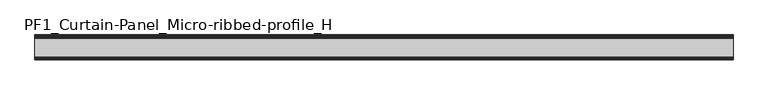
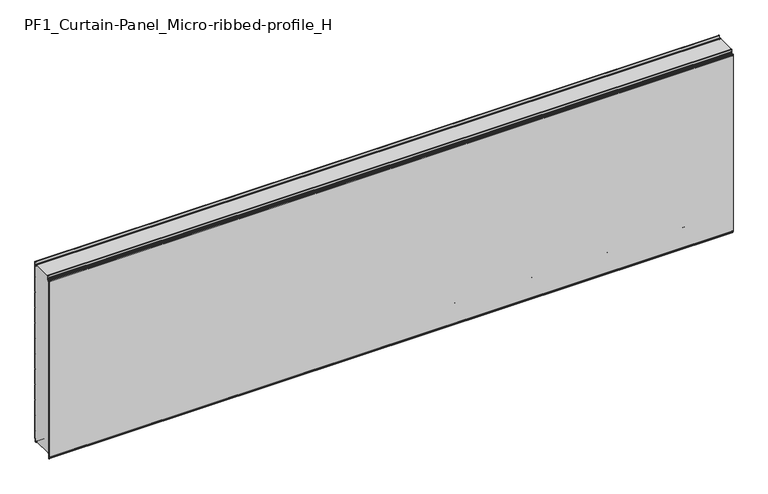
"""IFC4 building model written with IfcOpenShell, lengths in millimetres: plate geometry, PF1_Curtain-Panel_Micro-ribbed-profile_H."""

from ifc_helpers import new_model, si_unit, point, frame, frame_2d, origin, place, context, project, spatial, polyline, circle_curve, trimmed, segment, composite_curve, outline, extrude, source, transform, mapped, element, save


def pf1_curtain_panel_micro_ribbed_profile_h_ba729dbe(model_context):
    return source(origin(), model_context, "Body", "SweptSolid", [
        extrude(outline(composite_curve([segment(polyline([(-140.0, 0.0), (-143.5, 0.0)]), True, "CONTINUOUS"), segment(trimmed(circle_curve(frame_2d((-143.5, -2.0)), 2.0), [point((-143.5, 0.0))], [point((-145.5, -2.0))], True, "CARTESIAN"), True, "CONTINUOUS"), segment(polyline([(-145.5, -2.0), (-145.5, -33.0)]), True, "CONTINUOUS"), segment(trimmed(circle_curve(frame_2d((-146.5, -33.0)), 1.0), [point((-145.5, -33.0))], [point((-147.5, -33.0))], False, "CARTESIAN"), True, "CONTINUOUS"), segment(polyline([(-147.5, -33.0), (-147.5, -26.9)]), True, "CONTINUOUS"), segment(trimmed(circle_curve(frame_2d((-148.4, -26.9)), 0.9), [point((-147.5, -26.9))], [point((-148.4, -26.0))], True, "CARTESIAN"), True, "CONTINUOUS"), segment(trimmed(circle_curve(frame_2d((-148.4, -24.4)), 1.6), [point((-148.4, -26.0))], [point((-150.0, -24.4))], False, "CARTESIAN"), True, "CONTINUOUS"), segment(polyline([(-150.0, -24.4), (-150.0, 1123.168846)]), True, "CONTINUOUS"), segment(trimmed(circle_curve(frame_2d((-149.0, 1123.168846)), 1.0), [point((-150.0, 1123.168846))], [point((-148.0, 1123.168846))], False, "CARTESIAN"), True, "CONTINUOUS"), segment(polyline([(-148.0, 1123.168846), (-148.0, 1117.168846)]), True, "CONTINUOUS"), segment(trimmed(circle_curve(frame_2d((-146.5, 1117.168846)), 1.5), [point((-148.0, 1117.168846))], [point((-145.0, 1117.168846))], True, "CARTESIAN"), True, "CONTINUOUS"), segment(polyline([(-145.0, 1117.168846), (-145.0, 1117.9964664)]), True, "CONTINUOUS"), segment(trimmed(circle_curve(frame_2d((-138.8276204, 1117.9964664)), 6.1723796), [point((-145.0, 1117.9964664))], [point((-138.8276204, 1124.168846))], False, "CARTESIAN"), True, "CONTINUOUS"), segment(polyline([(-138.8276204, 1124.168846), (-138.0, 1124.168846)]), True, "CONTINUOUS"), segment(trimmed(circle_curve(frame_2d((-138.0, 1125.168846)), 1.0), [point((-138.0, 1124.168846))], [point((-137.0, 1125.168846))], True, "CARTESIAN"), True, "CONTINUOUS"), segment(polyline([(-137.0, 1125.168846), (-137.0, 1131.6688472), (-135.4999999, 1133.168846), (-137.0, 1134.6688448), (-137.0, 1146.568846)]), True, "CONTINUOUS"), segment(trimmed(circle_curve(frame_2d((-134.4, 1146.568846)), 2.6), [point((-137.0, 1146.568846))], [point((-134.4, 1149.168846))], False, "CARTESIAN"), True, "CONTINUOUS"), segment(polyline([(-134.4, 1149.168846), (-133.0, 1149.168846), (-133.0, 1148.368846), (-134.4, 1148.368846)]), True, "CONTINUOUS"), segment(trimmed(circle_curve(frame_2d((-134.4, 1146.568846)), 1.8), [point((-134.4, 1148.368846))], [point((-136.2, 1146.568846))], True, "CARTESIAN"), True, "CONTINUOUS"), segment(polyline([(-136.2, 1146.568846), (-136.2, 1135.0002158), (-134.3686285, 1133.168846), (-136.2, 1131.3374762), (-136.2, 1125.168846)]), True, "CONTINUOUS"), segment(trimmed(circle_curve(frame_2d((-138.0, 1125.168846)), 1.8), [point((-136.2, 1125.168846))], [point((-138.0, 1123.368846))], False, "CARTESIAN"), True, "CONTINUOUS"), segment(polyline([(-138.0, 1123.368846), (-138.8276204, 1123.368846)]), True, "CONTINUOUS"), segment(trimmed(circle_curve(frame_2d((-138.8276204, 1117.9964664)), 5.3723796), [point((-138.8276204, 1123.368846))], [point((-144.2, 1117.9964664))], True, "CARTESIAN"), True, "CONTINUOUS"), segment(polyline([(-144.2, 1117.9964664), (-144.2, 1117.168846)]), True, "CONTINUOUS"), segment(trimmed(circle_curve(frame_2d((-146.4, 1117.168846)), 2.2), [point((-144.2, 1117.168846))], [point((-148.6, 1117.168846))], False, "CARTESIAN"), True, "CONTINUOUS"), segment(polyline([(-148.6, 1117.168846), (-148.6, 1123.0579973)]), True, "CONTINUOUS"), segment(trimmed(circle_curve(frame_2d((-148.9, 1123.0579973)), 0.3), [point((-148.6, 1123.0579973))], [point((-149.2, 1123.0579973))], True, "CARTESIAN"), True, "CONTINUOUS"), segment(polyline([(-149.2, 1123.0579973), (-149.2, -24.4)]), True, "CONTINUOUS"), segment(trimmed(circle_curve(frame_2d((-148.4, -24.4)), 0.8), [point((-149.2, -24.4))], [point((-148.4, -25.2))], True, "CARTESIAN"), True, "CONTINUOUS"), segment(trimmed(circle_curve(frame_2d((-148.6133333, -26.9)), 1.7133333), [point((-148.4, -25.2))], [point((-146.9, -26.9))], False, "CARTESIAN"), True, "CONTINUOUS"), segment(polyline([(-146.9, -26.9), (-146.9, -32.8700312)]), True, "CONTINUOUS"), segment(trimmed(circle_curve(frame_2d((-146.6, -32.8700312)), 0.3), [point((-146.9, -32.8700312))], [point((-146.3, -32.8700312))], True, "CARTESIAN"), True, "CONTINUOUS"), segment(polyline([(-146.3, -32.8700312), (-146.3, -2.0)]), True, "CONTINUOUS"), segment(trimmed(circle_curve(frame_2d((-143.5, -2.0)), 2.8), [point((-146.3, -2.0))], [point((-143.5, 0.8))], False, "CARTESIAN"), True, "CONTINUOUS"), segment(polyline([(-143.5, 0.8), (-140.0, 0.8), (-140.0, 0.0)]), True, "CONTINUOUS")], self_intersect=False)), frame((-2100.0, 0.0, 0.0), z_axis=(1.0, 0.0, 0.0), x_axis=(0.0, 1.0, 0.0)), (0.0, 0.0, 1.0), 4200.0),
        extrude(outline(composite_curve([segment(polyline([(-15.878557, 0.0), (-20.0, 0.0), (-20.0, 0.8), (-15.878557, 0.8)]), True, "CONTINUOUS"), segment(trimmed(circle_curve(frame_2d((-15.878557, -2.0)), 2.8), [point((-15.878557, 0.8))], [point((-13.1503208, -1.370137))], False, "CARTESIAN"), True, "CONTINUOUS"), segment(polyline([(-13.1503208, -1.370137), (-11.728236, -7.529863)]), True, "CONTINUOUS"), segment(trimmed(circle_curve(frame_2d((-9.0, -6.9)), 2.8), [point((-11.728236, -7.529863))], [point((-6.2, -6.9))], True, "CARTESIAN"), True, "CONTINUOUS"), segment(polyline([(-6.2, -6.9), (-6.2, 8.6)]), True, "CONTINUOUS"), segment(trimmed(circle_curve(frame_2d((-3.4, 8.6)), 2.8), [point((-6.2, 8.6))], [point((-3.4, 11.4))], False, "CARTESIAN"), True, "CONTINUOUS"), segment(polyline([(-3.4, 11.4), (-2.0, 11.4)]), True, "CONTINUOUS"), segment(trimmed(circle_curve(frame_2d((-2.0, 12.6)), 1.2), [point((-2.0, 11.4))], [point((-0.8, 12.6))], True, "CARTESIAN"), True, "CONTINUOUS"), segment(polyline([(-0.8, 12.6), (-0.8, 57.6856412), (-2.482606, 60.6), (-0.8, 63.5143588), (-0.8, 157.6856412), (-2.482606, 160.6), (-0.8, 163.5143588), (-0.8, 257.6856412), (-2.482606, 260.6), (-0.8, 263.5143588), (-0.8, 357.6856412), (-2.482606, 360.6), (-0.8, 363.5143588), (-0.8, 457.6856412), (-2.482606, 460.6), (-0.8, 463.5143588), (-0.8, 557.6856412), (-2.482606, 560.6), (-0.8, 563.5143588), (-0.8, 657.6856412), (-2.482606, 660.6), (-0.8, 663.5143588), (-0.8, 757.6856412), (-2.482606, 760.6), (-0.8, 763.5143588), (-0.8, 857.6856412), (-2.482606, 860.6), (-0.8, 863.5143588), (-0.8, 957.6856412), (-2.482606, 960.6), (-0.8, 963.5143588), (-0.8, 1057.6856412), (-2.482606, 1060.6), (-0.8, 1063.5143588), (-0.8, 1158.268846)]), True, "CONTINUOUS"), segment(trimmed(circle_curve(frame_2d((-2.5, 1158.268846)), 1.7), [point((-0.8, 1158.268846))], [point((-4.2, 1158.268846))], True, "CARTESIAN"), True, "CONTINUOUS"), segment(polyline([(-4.2, 1158.268846), (-4.2, 1141.268846)]), True, "CONTINUOUS"), segment(trimmed(circle_curve(frame_2d((-9.0, 1141.268846)), 4.8), [point((-4.2, 1141.268846))], [point((-13.7270771, 1140.4353344))], False, "CARTESIAN"), True, "CONTINUOUS"), segment(polyline([(-13.7270771, 1140.4353344), (-14.8636953, 1146.8814129)]), True, "CONTINUOUS"), segment(trimmed(circle_curve(frame_2d((-16.6363492, 1146.568846)), 1.8), [point((-14.8636953, 1146.8814129))], [point((-16.6363492, 1148.368846))], True, "CARTESIAN"), True, "CONTINUOUS"), segment(polyline([(-16.6363492, 1148.368846), (-20.0, 1148.368846), (-20.0, 1149.168846), (-16.6363492, 1149.168846)]), True, "CONTINUOUS"), segment(trimmed(circle_curve(frame_2d((-16.6363492, 1146.568846)), 2.6), [point((-16.6363492, 1149.168846))], [point((-14.0758491, 1147.0203315))], False, "CARTESIAN"), True, "CONTINUOUS"), segment(polyline([(-14.0758491, 1147.0203315), (-12.939231, 1140.574253)]), True, "CONTINUOUS"), segment(trimmed(circle_curve(frame_2d((-9.0, 1141.268846)), 4.0), [point((-12.939231, 1140.574253))], [point((-5.0, 1141.268846))], True, "CARTESIAN"), True, "CONTINUOUS"), segment(polyline([(-5.0, 1141.268846), (-5.0, 1158.268846)]), True, "CONTINUOUS"), segment(trimmed(circle_curve(frame_2d((-2.5, 1158.268846)), 2.5), [point((-5.0, 1158.268846))], [point((0.0, 1158.268846))], False, "CARTESIAN"), True, "CONTINUOUS"), segment(polyline([(0.0, 1158.268846), (0.0, 1063.2999995), (-1.5588455, 1060.6), (0.0, 1057.9000005), (0.0, 963.2999995), (-1.5588455, 960.6), (0.0, 957.9000005), (0.0, 863.2999995), (-1.5588455, 860.6), (0.0, 857.9000005), (0.0, 763.2999995), (-1.5588455, 760.6), (0.0, 757.9000005), (0.0, 663.2999995), (-1.5588455, 660.6), (0.0, 657.9000005), (0.0, 563.2999995), (-1.5588455, 560.6), (0.0, 557.9000005), (0.0, 463.2999995), (-1.5588455, 460.6), (0.0, 457.9000005), (0.0, 363.2999995), (-1.5588455, 360.6), (0.0, 357.9000005), (0.0, 263.2999995), (-1.5588455, 260.6), (0.0, 257.9000005), (0.0, 163.2999995), (-1.5588455, 160.6), (0.0, 157.9000005), (0.0, 63.2999995), (-1.5588455, 60.6), (0.0, 57.9000005), (0.0, 12.6)]), True, "CONTINUOUS"), segment(trimmed(circle_curve(frame_2d((-2.0, 12.6)), 2.0), [point((0.0, 12.6))], [point((-2.0, 10.6))], False, "CARTESIAN"), True, "CONTINUOUS"), segment(polyline([(-2.0, 10.6), (-3.4, 10.6)]), True, "CONTINUOUS"), segment(trimmed(circle_curve(frame_2d((-3.4, 8.6)), 2.0), [point((-3.4, 10.6))], [point((-5.4, 8.6))], True, "CARTESIAN"), True, "CONTINUOUS"), segment(polyline([(-5.4, 8.6), (-5.4, -6.9)]), True, "CONTINUOUS"), segment(trimmed(circle_curve(frame_2d((-9.0, -6.9)), 3.6), [point((-5.4, -6.9))], [point((-12.5077322, -7.7098239))], False, "CARTESIAN"), True, "CONTINUOUS"), segment(polyline([(-12.5077322, -7.7098239), (-13.929817, -1.5500979)]), True, "CONTINUOUS"), segment(trimmed(circle_curve(frame_2d((-15.878557, -2.0)), 2.0), [point((-13.929817, -1.5500979))], [point((-15.878557, 0.0))], True, "CARTESIAN"), True, "CONTINUOUS")], self_intersect=False)), frame((-2100.0, 0.0, 0.0), z_axis=(1.0, 0.0, 0.0), x_axis=(0.0, 1.0, 0.0)), (0.0, 0.0, 1.0), 4200.0),
        extrude(outline(composite_curve([segment(polyline([(-140.0, 0.8), (-143.5, 0.8)]), True, "CONTINUOUS"), segment(trimmed(circle_curve(frame_2d((-143.5, -2.0)), 2.8), [point((-143.5, 0.8))], [point((-146.3, -2.0))], True, "CARTESIAN"), True, "CONTINUOUS"), segment(polyline([(-146.3, -2.0), (-146.3, -32.8700312)]), True, "CONTINUOUS"), segment(trimmed(circle_curve(frame_2d((-146.6, -32.8700312)), 0.3), [point((-146.3, -32.8700312))], [point((-146.9, -32.8700312))], False, "CARTESIAN"), True, "CONTINUOUS"), segment(polyline([(-146.9, -32.8700312), (-146.9, -26.9)]), True, "CONTINUOUS"), segment(trimmed(circle_curve(frame_2d((-148.6133333, -26.9)), 1.7133333), [point((-146.9, -26.9))], [point((-148.4, -25.2))], True, "CARTESIAN"), True, "CONTINUOUS"), segment(trimmed(circle_curve(frame_2d((-148.4, -24.4)), 0.8), [point((-148.4, -25.2))], [point((-149.2, -24.4))], False, "CARTESIAN"), True, "CONTINUOUS"), segment(polyline([(-149.2, -24.4), (-149.2, 1123.0579973)]), True, "CONTINUOUS"), segment(trimmed(circle_curve(frame_2d((-148.9, 1123.0579973)), 0.3), [point((-149.2, 1123.0579973))], [point((-148.6, 1123.0579973))], False, "CARTESIAN"), True, "CONTINUOUS"), segment(polyline([(-148.6, 1123.0579973), (-148.6, 1117.168846)]), True, "CONTINUOUS"), segment(trimmed(circle_curve(frame_2d((-146.4, 1117.168846)), 2.2), [point((-148.6, 1117.168846))], [point((-144.2, 1117.168846))], True, "CARTESIAN"), True, "CONTINUOUS"), segment(polyline([(-144.2, 1117.168846), (-144.2, 1117.9964664)]), True, "CONTINUOUS"), segment(trimmed(circle_curve(frame_2d((-138.8276204, 1117.9964664)), 5.3723796), [point((-144.2, 1117.9964664))], [point((-138.8276204, 1123.368846))], False, "CARTESIAN"), True, "CONTINUOUS"), segment(polyline([(-138.8276204, 1123.368846), (-138.0, 1123.368846)]), True, "CONTINUOUS"), segment(trimmed(circle_curve(frame_2d((-138.0, 1125.168846)), 1.8), [point((-138.0, 1123.368846))], [point((-136.2, 1125.168846))], True, "CARTESIAN"), True, "CONTINUOUS"), segment(polyline([(-136.2, 1125.168846), (-136.2, 1131.3374762), (-134.3686285, 1133.168846), (-136.2, 1135.0002158), (-136.2, 1146.568846)]), True, "CONTINUOUS"), segment(trimmed(circle_curve(frame_2d((-134.4, 1146.568846)), 1.8), [point((-136.2, 1146.568846))], [point((-134.4, 1148.368846))], False, "CARTESIAN"), True, "CONTINUOUS"), segment(polyline([(-134.4, 1148.368846), (-133.0, 1148.368846), (-133.0, 1149.168846), (-20.0, 1149.168846), (-20.0, 1148.368846), (-16.6363492, 1148.368846)]), True, "CONTINUOUS"), segment(trimmed(circle_curve(frame_2d((-16.6363492, 1146.568846)), 1.8), [point((-16.6363492, 1148.368846))], [point((-14.8636953, 1146.8814129))], False, "CARTESIAN"), True, "CONTINUOUS"), segment(polyline([(-14.8636953, 1146.8814129), (-13.7270772, 1140.4353344)]), True, "CONTINUOUS"), segment(trimmed(circle_curve(frame_2d((-9.0, 1141.268846)), 4.8), [point((-13.7270772, 1140.4353344))], [point((-4.2, 1141.268846))], True, "CARTESIAN"), True, "CONTINUOUS"), segment(polyline([(-4.2, 1141.268846), (-4.2, 1158.268846)]), True, "CONTINUOUS"), segment(trimmed(circle_curve(frame_2d((-2.5, 1158.268846)), 1.7), [point((-4.2, 1158.268846))], [point((-0.8, 1158.268846))], False, "CARTESIAN"), True, "CONTINUOUS"), segment(polyline([(-0.8, 1158.268846), (-0.8, 1063.5143588), (-2.482606, 1060.6), (-0.8, 1057.6856412), (-0.8, 963.5143588), (-2.482606, 960.6), (-0.8, 957.6856412), (-0.8, 863.5143588), (-2.482606, 860.6), (-0.8, 857.6856412), (-0.8, 763.5143588), (-2.482606, 760.6), (-0.8, 757.6856412), (-0.8, 663.5143588), (-2.482606, 660.6), (-0.8, 657.6856412), (-0.8, 563.5143588), (-2.482606, 560.6), (-0.8, 557.6856412), (-0.8, 463.5143588), (-2.482606, 460.6), (-0.8, 457.6856412), (-0.8, 363.5143588), (-2.482606, 360.6), (-0.8, 357.6856412), (-0.8, 263.5143588), (-2.482606, 260.6), (-0.8, 257.6856412), (-0.8, 163.5143588), (-2.482606, 160.6), (-0.8, 157.6856412), (-0.8, 63.5143588), (-2.482606, 60.6), (-0.8, 57.6856412), (-0.8, 12.6)]), True, "CONTINUOUS"), segment(trimmed(circle_curve(frame_2d((-2.0, 12.6)), 1.2), [point((-0.8, 12.6))], [point((-2.0, 11.4))], False, "CARTESIAN"), True, "CONTINUOUS"), segment(polyline([(-2.0, 11.4), (-3.4, 11.4)]), True, "CONTINUOUS"), segment(trimmed(circle_curve(frame_2d((-3.4, 8.6)), 2.8), [point((-3.4, 11.4))], [point((-6.2, 8.6))], True, "CARTESIAN"), True, "CONTINUOUS"), segment(polyline([(-6.2, 8.6), (-6.2, -6.9)]), True, "CONTINUOUS"), segment(trimmed(circle_curve(frame_2d((-9.0, -6.9)), 2.8), [point((-6.2, -6.9))], [point((-11.7282362, -7.529863))], False, "CARTESIAN"), True, "CONTINUOUS"), segment(polyline([(-11.7282362, -7.529863), (-13.1503208, -1.370137)]), True, "CONTINUOUS"), segment(trimmed(circle_curve(frame_2d((-15.878557, -2.0)), 2.8), [point((-13.1503208, -1.370137))], [point((-15.878557, 0.8))], True, "CARTESIAN"), True, "CONTINUOUS"), segment(polyline([(-15.878557, 0.8), (-20.0, 0.8), (-20.0, 0.0), (-140.0, 0.0), (-140.0, 0.8)]), True, "CONTINUOUS")], self_intersect=False)), frame((-2100.0, 0.0, 0.0), z_axis=(1.0, 0.0, 0.0), x_axis=(0.0, 1.0, 0.0)), (0.0, 0.0, 1.0), 4200.0),
    ])


if __name__ == "__main__":
    model = new_model("IFC4")
    model_context = context("Model", 3, world=origin())
    ifc_project = project(units=[si_unit("LENGTHUNIT", "METRE", prefix="MILLI")], contexts=[model_context])
    site = spatial("IfcSite", under=ifc_project)
    building = spatial("IfcBuilding", under=site)
    placement = place(None, origin())
    pf1_curtain_panel_micro_ribbed_profile_h_shape = pf1_curtain_panel_micro_ribbed_profile_h_ba729dbe(model_context)
    element("IfcPlate", 1, ObjectType="PF1_Curtain-Panel_Micro-ribbed-profile_H", at=placement, inside=building, context=model_context, shape_type="MappedRepresentation", body=[
        mapped(pf1_curtain_panel_micro_ribbed_profile_h_shape, transform((0.0, 0.0, 0.0), x_axis=(1.0, 0.0, 0.0), y_axis=(0.0, 1.0, 0.0), z_axis=(0.0, 0.0, 1.0))),
    ])
    save(model, "model.ifc")
